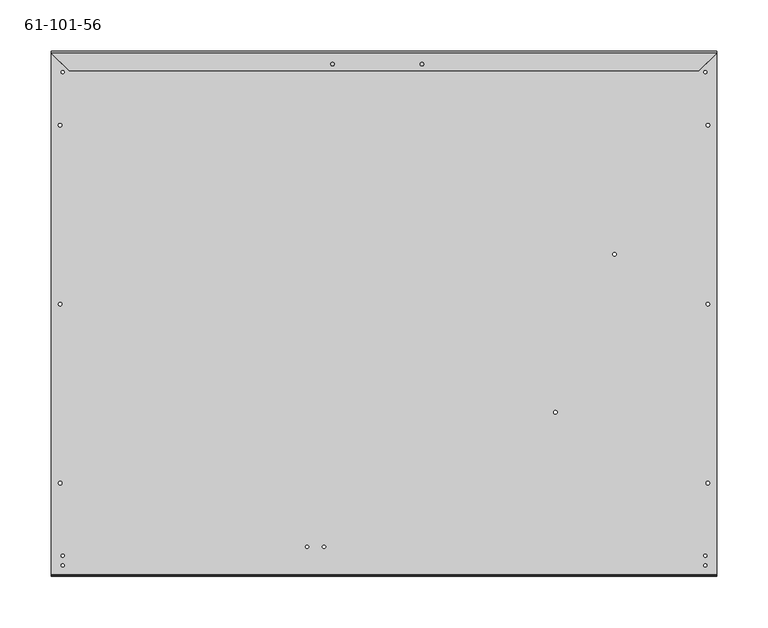
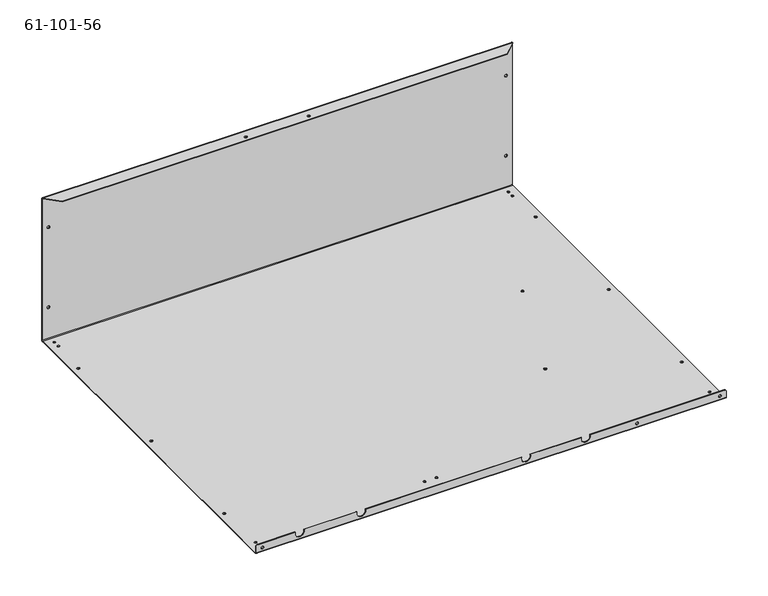
"""IFC4 building model written with IfcOpenShell, lengths in millimetres: proxy geometry, 61-101-56."""

from ifc_helpers import new_model, si_unit, frame, origin, place, context, project, spatial, polyline, circle_curve, source, transform, mapped, element, save
from ifc_brep_helpers import plane_surface, cylinder_surface, revolved_surface, advanced_brep


def proxy_61_101_56_b6c36532(model_context):
    return source(origin(), model_context, "Body", "AdvancedBrep", [
        advanced_brep(
        [(137.4521, 7.8994873, 200.025), (137.4521, 8.7529273, 200.025), (133.1087, 8.7529273, 200.025), (133.1087, 7.8994873, 200.025), (530.4917, 7.8994873, 200.025), (530.4917, 8.7529273, 200.025), (526.1483, 8.7529273, 200.025), (526.1483, 7.8994873, 200.025), (549.5417, 7.8994873, 200.025), (549.5417, 8.7529273, 200.025), (545.1983, 8.7529273, 200.025), (545.1983, 7.8994873, 200.025), (156.5021, 7.8994873, 200.025), (156.5021, 8.7529273, 200.025), (152.1587, 8.7529273, 200.025), (152.1587, 7.8994873, 200.025), (6.95706, -63.4074259, 0.85344), (6.95706, -63.4074259, 0.0), (10.38606, -63.4074259, 0.0), (10.38606, -63.4074259, 0.85344), (6.95706, -412.7153995, 0.85344), (6.95706, -412.7153995, 0.0), (10.38606, -412.7153995, 0.0), (10.38606, -412.7153995, 0.85344), (638.58394, -238.0614127, 0.85344), (638.58394, -238.0614127, 0.0), (642.01294, -238.0614127, 0.0), (642.01294, -238.0614127, 0.85344), (638.58394, -63.4074259, 0.85344), (638.58394, -63.4074259, 0.0), (642.01294, -63.4074259, 0.0), (642.01294, -63.4074259, 0.85344), (638.58394, -412.7153995, 0.85344), (638.58394, -412.7153995, 0.0), (642.01294, -412.7153995, 0.0), (642.01294, -412.7153995, 0.85344), (6.95706, -238.0614127, 0.85344), (6.95706, -238.0614127, 0.0), (10.38606, -238.0614127, 0.0), (10.38606, -238.0614127, 0.85344), (547.5605, -189.5042327, 0.85344), (547.5605, -189.5042327, 0.0), (550.9895, -189.5042327, 0.0), (550.9895, -189.5042327, 0.85344), (636.3335, -11.5670727, 0.85344), (636.3335, -11.5670727, 0.0), (639.3815, -11.5670727, 0.0), (639.3815, -11.5670727, 0.85344), (9.5885, -11.5670727, 0.85344), (9.5885, -11.5670727, 0.0), (12.6365, -11.5670727, 0.0), (12.6365, -11.5670727, 0.85344), (9.5885, -2.0420727, 0.85344), (9.5885, -2.0420727, 0.0), (12.6365, -2.0420727, 0.0), (12.6365, -2.0420727, 0.85344), (636.3335, -2.0420727, 0.85344), (636.3335, -2.0420727, 0.0), (639.3815, -2.0420727, 0.0), (639.3815, -2.0420727, 0.85344), (363.0881332, -3.851312, 208.69656), (363.0881332, -3.851312, 209.55), (359.6591332, -3.851312, 209.55), (359.6591332, -3.851312, 208.69656), (276.0423332, -3.851312, 208.69656), (276.0423332, -3.851312, 209.55), (272.6133332, -3.851312, 209.55), (272.6133332, -3.851312, 208.69656), (642.0866, -503.0172327, 6.46938), (642.0866, -503.8706727, 6.46938), (638.5306, -503.8706727, 6.46938), (638.5306, -503.0172327, 6.46938), (10.4394, -503.0172327, 6.46938), (10.4394, -503.8706727, 6.46938), (6.8834, -503.8706727, 6.46938), (6.8834, -503.0172327, 6.46938), (10.44956, 7.8994873, 46.7603532), (10.44956, 8.7529273, 46.7603532), (6.89356, 8.7529273, 46.7603532), (6.89356, 7.8994873, 46.7603532), (10.44956, 7.8994873, 163.6329268), (10.44956, 8.7529273, 163.6329268), (6.89356, 8.7529273, 163.6329268), (6.89356, 7.8994873, 163.6329268), (642.07644, 7.8994873, 163.6329268), (642.07644, 8.7529273, 163.6329268), (638.52044, 8.7529273, 163.6329268), (638.52044, 7.8994873, 163.6329268), (642.07644, 7.8994873, 46.7603532), (642.07644, 8.7529273, 46.7603532), (638.52044, 8.7529273, 46.7603532), (638.52044, 7.8994873, 46.7603532), (639.37388, -483.5506727, 0.85344), (639.37388, -483.5506727, 0.0), (636.32588, -483.5506727, 0.0), (636.32588, -483.5506727, 0.85344), (12.6365, -483.5506727, 0.85344), (12.6365, -483.5506727, 0.0), (9.5885, -483.5506727, 0.0), (9.5885, -483.5506727, 0.85344), (12.6365, -493.0756727, 0.85344), (12.6365, -493.0756727, 0.0), (9.5885, -493.0756727, 0.0), (9.5885, -493.0756727, 0.85344), (639.37388, -493.0756727, 0.85344), (639.37388, -493.0756727, 0.0), (636.32588, -493.0756727, 0.0), (636.32588, -493.0756727, 0.85344), (527.7866, -503.0172327, 6.46938), (527.7866, -503.8706727, 6.46938), (524.2306, -503.8706727, 6.46938), (524.2306, -503.0172327, 6.46938), (489.8638208, -343.60076, 0.85344), (489.8638208, -343.60076, 0.0), (493.4198208, -343.60076, 0.0), (493.4198208, -343.60076, 0.85344), (250.9637519, -474.9506727, 0.85344), (250.9637519, -474.9506727, 0.0), (247.9157519, -474.9506727, 0.0), (247.9157519, -474.9506727, 0.85344), (267.4737519, -474.9506727, 0.85344), (267.4737519, -474.9506727, 0.0), (264.4257519, -474.9506727, 0.0), (264.4257519, -474.9506727, 0.85344), (366.5248337, -503.0172327, 12.7), (366.5248337, -503.8706727, 12.7), (378.5151663, -503.8706727, 12.7), (378.5151663, -503.0172327, 12.7), (54.0048337, -503.0172327, 12.7), (54.0048337, -503.8706727, 12.7), (65.9951663, -503.8706727, 12.7), (65.9951663, -503.0172327, 12.7), (139.0848337, -503.0172327, 12.7), (139.0848337, -503.8706727, 12.7), (151.0751663, -503.8706727, 12.7), (151.0751663, -503.0172327, 12.7), (449.0748337, -503.0172327, 12.7), (449.0748337, -503.8706727, 12.7), (461.0651663, -503.8706727, 12.7), (461.0651663, -503.0172327, 12.7), (646.43, -503.0172327, 12.7), (648.97, -503.0172327, 10.16), (648.97, -503.0172327, 1.70688), (0.0, -503.0172327, 1.70688), (0.0, -503.0172327, 10.16), (2.54, -503.0172327, 12.7), (646.43, -503.8706727, 12.7), (2.54, -503.8706727, 12.7), (648.97, -503.8706727, 10.16), (648.97, -503.8706727, 1.70688), (0.0, -503.8706727, 10.16), (0.0, -503.8706727, 1.70688), (648.97, 7.0460473, 209.55), (631.62688, -10.2970727, 209.55), (631.62688, -10.2970727, 208.69656), (648.97, 7.0460473, 208.69656), (17.34312, -10.2970727, 209.55), (0.0, 7.0460473, 209.55), (0.0, 7.0460473, 208.69656), (17.34312, -10.2970727, 208.69656), (0.0, 7.8994873, 207.84312), (648.97, 7.8994873, 207.84312), (0.0, 8.7529273, 207.84312), (648.97, 8.7529273, 207.84312), (0.0, 8.7529273, 1.70688), (0.0, 7.8994873, 1.70688), (648.97, 8.7529273, 1.70688), (648.97, 7.8994873, 1.70688), (0.0, 7.0460473, 0.85344), (648.97, 7.0460473, 0.85344), (0.0, 7.0460473, 0.0), (648.97, 7.0460473, 0.0), (0.0, -502.1637927, 0.0), (0.0, -502.1637927, 0.85344), (648.97, -502.1637927, 0.0), (648.97, -502.1637927, 0.85344)],
        [
            (0, 1),
            (1, 2, circle_curve(frame((135.2804, 8.7529273, 200.025), z_axis=(0.0, 1.0, 0.0), x_axis=(1.0, 0.0, 0.0)), 2.1717)),
            (2, 3),
            (3, 0, circle_curve(frame((135.2804, 7.8994873, 200.025), z_axis=(0.0, -1.0, 0.0), x_axis=(1.0, 0.0, 0.0)), 2.1717)),
            (4, 5),
            (5, 6, circle_curve(frame((528.32, 8.7529273, 200.025), z_axis=(0.0, 1.0, 0.0), x_axis=(1.0, 0.0, 0.0)), 2.1717)),
            (6, 7),
            (7, 4, circle_curve(frame((528.32, 7.8994873, 200.025), z_axis=(0.0, -1.0, 0.0), x_axis=(1.0, 0.0, 0.0)), 2.1717)),
            (8, 9),
            (9, 10, circle_curve(frame((547.37, 8.7529273, 200.025), z_axis=(0.0, 1.0, 0.0), x_axis=(1.0, 0.0, 0.0)), 2.1717)),
            (10, 11),
            (11, 8, circle_curve(frame((547.37, 7.8994873, 200.025), z_axis=(0.0, -1.0, 0.0), x_axis=(1.0, 0.0, 0.0)), 2.1717)),
            (12, 13),
            (13, 14, circle_curve(frame((154.3304, 8.7529273, 200.025), z_axis=(0.0, 1.0, 0.0), x_axis=(1.0, 0.0, 0.0)), 2.1717)),
            (14, 15),
            (15, 12, circle_curve(frame((154.3304, 7.8994873, 200.025), z_axis=(0.0, -1.0, 0.0), x_axis=(1.0, 0.0, 0.0)), 2.1717)),
            (16, 17),
            (17, 18, circle_curve(frame((8.67156, -63.4074259, 0.0), z_axis=(0.0, 0.0, -1.0), x_axis=(-1.0, 0.0, 0.0)), 1.7145)),
            (18, 19),
            (19, 16, circle_curve(frame((8.67156, -63.4074259, 0.85344), z_axis=(0.0, 0.0, 1.0), x_axis=(-1.0, 0.0, 0.0)), 1.7145)),
            (20, 21),
            (21, 22, circle_curve(frame((8.67156, -412.7153995, 0.0), z_axis=(0.0, 0.0, -1.0), x_axis=(-1.0, 0.0, 0.0)), 1.7145)),
            (22, 23),
            (23, 20, circle_curve(frame((8.67156, -412.7153995, 0.85344), z_axis=(0.0, 0.0, 1.0), x_axis=(-1.0, 0.0, 0.0)), 1.7145)),
            (24, 25),
            (25, 26, circle_curve(frame((640.29844, -238.0614127, 0.0), z_axis=(0.0, 0.0, -1.0), x_axis=(-1.0, 0.0, 0.0)), 1.7145)),
            (26, 27),
            (27, 24, circle_curve(frame((640.29844, -238.0614127, 0.85344), z_axis=(0.0, 0.0, 1.0), x_axis=(-1.0, 0.0, 0.0)), 1.7145)),
            (28, 29),
            (29, 30, circle_curve(frame((640.29844, -63.4074259, 0.0), z_axis=(0.0, 0.0, -1.0), x_axis=(-1.0, 0.0, 0.0)), 1.7145)),
            (30, 31),
            (31, 28, circle_curve(frame((640.29844, -63.4074259, 0.85344), z_axis=(0.0, 0.0, 1.0), x_axis=(-1.0, 0.0, 0.0)), 1.7145)),
            (32, 33),
            (33, 34, circle_curve(frame((640.29844, -412.7153995, 0.0), z_axis=(0.0, 0.0, -1.0), x_axis=(-1.0, 0.0, 0.0)), 1.7145)),
            (34, 35),
            (35, 32, circle_curve(frame((640.29844, -412.7153995, 0.85344), z_axis=(0.0, 0.0, 1.0), x_axis=(-1.0, 0.0, 0.0)), 1.7145)),
            (36, 37),
            (37, 38, circle_curve(frame((8.67156, -238.0614127, 0.0), z_axis=(0.0, 0.0, -1.0), x_axis=(-1.0, 0.0, 0.0)), 1.7145)),
            (38, 39),
            (39, 36, circle_curve(frame((8.67156, -238.0614127, 0.85344), z_axis=(0.0, 0.0, 1.0), x_axis=(-1.0, 0.0, 0.0)), 1.7145)),
            (40, 41),
            (41, 42, circle_curve(frame((549.275, -189.5042327, 0.0), z_axis=(0.0, 0.0, -1.0), x_axis=(-1.0, 0.0, 0.0)), 1.7145)),
            (42, 43),
            (43, 40, circle_curve(frame((549.275, -189.5042327, 0.85344), z_axis=(0.0, 0.0, 1.0), x_axis=(-1.0, 0.0, 0.0)), 1.7145)),
            (44, 45),
            (45, 46, circle_curve(frame((637.8575, -11.5670727, 0.0), z_axis=(0.0, 0.0, -1.0), x_axis=(-1.0, 0.0, 0.0)), 1.524)),
            (46, 47),
            (47, 44, circle_curve(frame((637.8575, -11.5670727, 0.85344), z_axis=(0.0, 0.0, 1.0), x_axis=(-1.0, 0.0, 0.0)), 1.524)),
            (48, 49),
            (49, 50, circle_curve(frame((11.1125, -11.5670727, 0.0), z_axis=(0.0, 0.0, -1.0), x_axis=(-1.0, 0.0, 0.0)), 1.524)),
            (50, 51),
            (51, 48, circle_curve(frame((11.1125, -11.5670727, 0.85344), z_axis=(0.0, 0.0, 1.0), x_axis=(-1.0, 0.0, 0.0)), 1.524)),
            (52, 53),
            (53, 54, circle_curve(frame((11.1125, -2.0420727, 0.0), z_axis=(0.0, 0.0, -1.0), x_axis=(-1.0, 0.0, 0.0)), 1.524)),
            (54, 55),
            (55, 52, circle_curve(frame((11.1125, -2.0420727, 0.85344), z_axis=(0.0, 0.0, 1.0), x_axis=(-1.0, 0.0, 0.0)), 1.524)),
            (56, 57),
            (57, 58, circle_curve(frame((637.8575, -2.0420727, 0.0), z_axis=(0.0, 0.0, -1.0), x_axis=(-1.0, 0.0, 0.0)), 1.524)),
            (58, 59),
            (59, 56, circle_curve(frame((637.8575, -2.0420727, 0.85344), z_axis=(0.0, 0.0, 1.0), x_axis=(-1.0, 0.0, 0.0)), 1.524)),
            (60, 61),
            (61, 62, circle_curve(frame((361.3736332, -3.851312, 209.55), z_axis=(0.0, 0.0, 1.0), x_axis=(1.0, 0.0, 0.0)), 1.7145)),
            (62, 63),
            (63, 60, circle_curve(frame((361.3736332, -3.851312, 208.69656), z_axis=(0.0, 0.0, -1.0), x_axis=(1.0, 0.0, 0.0)), 1.7145)),
            (64, 65),
            (65, 66, circle_curve(frame((274.3278332, -3.851312, 209.55), z_axis=(0.0, 0.0, 1.0), x_axis=(1.0, 0.0, 0.0)), 1.7145)),
            (66, 67),
            (67, 64, circle_curve(frame((274.3278332, -3.851312, 208.69656), z_axis=(0.0, 0.0, -1.0), x_axis=(1.0, 0.0, 0.0)), 1.7145)),
            (68, 69),
            (69, 70, circle_curve(frame((640.3086, -503.8706727, 6.46938), z_axis=(0.0, -1.0, 0.0), x_axis=(1.0, 0.0, 0.0)), 1.778)),
            (70, 71),
            (71, 68, circle_curve(frame((640.3086, -503.0172327, 6.46938), z_axis=(0.0, 1.0, 0.0), x_axis=(1.0, 0.0, 0.0)), 1.778)),
            (72, 73),
            (73, 74, circle_curve(frame((8.6614, -503.8706727, 6.46938), z_axis=(0.0, -1.0, 0.0), x_axis=(1.0, 0.0, 0.0)), 1.778)),
            (74, 75),
            (75, 72, circle_curve(frame((8.6614, -503.0172327, 6.46938), z_axis=(0.0, 1.0, 0.0), x_axis=(1.0, 0.0, 0.0)), 1.778)),
            (76, 77),
            (77, 78, circle_curve(frame((8.67156, 8.7529273, 46.7603532), z_axis=(0.0, 1.0, 0.0), x_axis=(1.0, 0.0, 0.0)), 1.778)),
            (78, 79),
            (79, 76, circle_curve(frame((8.67156, 7.8994873, 46.7603532), z_axis=(0.0, -1.0, 0.0), x_axis=(1.0, 0.0, 0.0)), 1.778)),
            (80, 81),
            (81, 82, circle_curve(frame((8.67156, 8.7529273, 163.6329268), z_axis=(0.0, 1.0, 0.0), x_axis=(1.0, 0.0, 0.0)), 1.778)),
            (82, 83),
            (83, 80, circle_curve(frame((8.67156, 7.8994873, 163.6329268), z_axis=(0.0, -1.0, 0.0), x_axis=(1.0, 0.0, 0.0)), 1.778)),
            (84, 85),
            (85, 86, circle_curve(frame((640.29844, 8.7529273, 163.6329268), z_axis=(0.0, 1.0, 0.0), x_axis=(1.0, 0.0, 0.0)), 1.778)),
            (86, 87),
            (87, 84, circle_curve(frame((640.29844, 7.8994873, 163.6329268), z_axis=(0.0, -1.0, 0.0), x_axis=(1.0, 0.0, 0.0)), 1.778)),
            (88, 89),
            (89, 90, circle_curve(frame((640.29844, 8.7529273, 46.7603532), z_axis=(0.0, 1.0, 0.0), x_axis=(1.0, 0.0, 0.0)), 1.778)),
            (90, 91),
            (91, 88, circle_curve(frame((640.29844, 7.8994873, 46.7603532), z_axis=(0.0, -1.0, 0.0), x_axis=(1.0, 0.0, 0.0)), 1.778)),
            (92, 93),
            (93, 94, circle_curve(frame((637.84988, -483.5506727, 0.0), z_axis=(0.0, 0.0, -1.0), x_axis=(1.0, 0.0, 0.0)), 1.524)),
            (94, 95),
            (95, 92, circle_curve(frame((637.84988, -483.5506727, 0.85344), z_axis=(0.0, 0.0, 1.0), x_axis=(1.0, 0.0, 0.0)), 1.524)),
            (96, 97),
            (97, 98, circle_curve(frame((11.1125, -483.5506727, 0.0), z_axis=(0.0, 0.0, -1.0), x_axis=(1.0, 0.0, 0.0)), 1.524)),
            (98, 99),
            (99, 96, circle_curve(frame((11.1125, -483.5506727, 0.85344), z_axis=(0.0, 0.0, 1.0), x_axis=(1.0, 0.0, 0.0)), 1.524)),
            (100, 101),
            (101, 102, circle_curve(frame((11.1125, -493.0756727, 0.0), z_axis=(0.0, 0.0, -1.0), x_axis=(1.0, 0.0, 0.0)), 1.524)),
            (102, 103),
            (103, 100, circle_curve(frame((11.1125, -493.0756727, 0.85344), z_axis=(0.0, 0.0, 1.0), x_axis=(1.0, 0.0, 0.0)), 1.524)),
            (104, 105),
            (105, 106, circle_curve(frame((637.84988, -493.0756727, 0.0), z_axis=(0.0, 0.0, -1.0), x_axis=(1.0, 0.0, 0.0)), 1.524)),
            (106, 107),
            (107, 104, circle_curve(frame((637.84988, -493.0756727, 0.85344), z_axis=(0.0, 0.0, 1.0), x_axis=(1.0, 0.0, 0.0)), 1.524)),
            (108, 109),
            (109, 110, circle_curve(frame((526.0086, -503.8706727, 6.46938), z_axis=(0.0, -1.0, 0.0), x_axis=(1.0, 0.0, 0.0)), 1.778)),
            (110, 111),
            (111, 108, circle_curve(frame((526.0086, -503.0172327, 6.46938), z_axis=(0.0, 1.0, 0.0), x_axis=(1.0, 0.0, 0.0)), 1.778)),
            (112, 113),
            (113, 114, circle_curve(frame((491.6418208, -343.60076, 0.0), z_axis=(0.0, 0.0, -1.0), x_axis=(-1.0, 0.0, 0.0)), 1.778)),
            (114, 115),
            (115, 112, circle_curve(frame((491.6418208, -343.60076, 0.85344), z_axis=(0.0, 0.0, 1.0), x_axis=(-1.0, 0.0, 0.0)), 1.778)),
            (116, 117),
            (117, 118, circle_curve(frame((249.4397519, -474.9506727, 0.0), z_axis=(0.0, 0.0, -1.0), x_axis=(1.0, 0.0, 0.0)), 1.524)),
            (118, 119),
            (119, 116, circle_curve(frame((249.4397519, -474.9506727, 0.85344), z_axis=(0.0, 0.0, 1.0), x_axis=(1.0, 0.0, 0.0)), 1.524)),
            (120, 121),
            (121, 122, circle_curve(frame((265.9497519, -474.9506727, 0.0), z_axis=(0.0, 0.0, -1.0), x_axis=(1.0, 0.0, 0.0)), 1.524)),
            (122, 123),
            (123, 120, circle_curve(frame((265.9497519, -474.9506727, 0.85344), z_axis=(0.0, 0.0, 1.0), x_axis=(1.0, 0.0, 0.0)), 1.524)),
            (124, 125),
            (125, 126, circle_curve(frame((372.52, -503.8706727, 10.60704), z_axis=(0.0, -1.0, 0.0), x_axis=(0.0, 0.0, -1.0)), 6.35)),
            (126, 127),
            (127, 124, circle_curve(frame((372.52, -503.0172327, 10.60704), z_axis=(0.0, 1.0, 0.0), x_axis=(0.0, 0.0, -1.0)), 6.35)),
            (128, 129),
            (129, 130, circle_curve(frame((60.0, -503.8706727, 10.60704), z_axis=(0.0, -1.0, 0.0), x_axis=(0.0, 0.0, -1.0)), 6.35)),
            (130, 131),
            (131, 128, circle_curve(frame((60.0, -503.0172327, 10.60704), z_axis=(0.0, 1.0, 0.0), x_axis=(0.0, 0.0, -1.0)), 6.35)),
            (132, 133),
            (133, 134, circle_curve(frame((145.08, -503.8706727, 10.60704), z_axis=(0.0, -1.0, 0.0), x_axis=(0.0, 0.0, -1.0)), 6.35)),
            (134, 135),
            (135, 132, circle_curve(frame((145.08, -503.0172327, 10.60704), z_axis=(0.0, 1.0, 0.0), x_axis=(0.0, 0.0, -1.0)), 6.35)),
            (136, 137),
            (137, 138, circle_curve(frame((455.07, -503.8706727, 10.60704), z_axis=(0.0, -1.0, 0.0), x_axis=(0.0, 0.0, -1.0)), 6.35)),
            (138, 139),
            (139, 136, circle_curve(frame((455.07, -503.0172327, 10.60704), z_axis=(0.0, 1.0, 0.0), x_axis=(0.0, 0.0, -1.0)), 6.35)),
            (127, 136),
            (139, 140),
            (140, 141, circle_curve(frame((646.43, -503.0172327, 10.16), z_axis=(0.0, 1.0, 0.0), x_axis=(0.7071067811865345, 0.0, 0.7071067811865603)), 2.54)),
            (141, 142),
            (142, 143),
            (143, 144),
            (144, 145, circle_curve(frame((2.54, -503.0172327, 10.16), z_axis=(0.0, 1.0, 0.0), x_axis=(-0.7071067811865543, 0.0, 0.7071067811865408)), 2.54)),
            (145, 128),
            (131, 132),
            (135, 124),
            (71, 68, circle_curve(frame((640.3086, -503.0172327, 6.46938), z_axis=(0.0, -1.0, 0.0), x_axis=(1.0, 0.0, 0.0)), 1.778)),
            (75, 72, circle_curve(frame((8.6614, -503.0172327, 6.46938), z_axis=(0.0, -1.0, 0.0), x_axis=(1.0, 0.0, 0.0)), 1.778)),
            (111, 108, circle_curve(frame((526.0086, -503.0172327, 6.46938), z_axis=(0.0, -1.0, 0.0), x_axis=(1.0, 0.0, 0.0)), 1.778)),
            (138, 146),
            (146, 140),
            (126, 137),
            (130, 133),
            (145, 147),
            (147, 129),
            (120, 123, circle_curve(frame((265.9497519, -474.9506727, 0.85344), z_axis=(0.0, 0.0, 1.0), x_axis=(1.0, 0.0, 0.0)), 1.524)),
            (122, 121, circle_curve(frame((265.9497519, -474.9506727, 0.0), z_axis=(0.0, 0.0, -1.0), x_axis=(1.0, 0.0, 0.0)), 1.524)),
            (116, 119, circle_curve(frame((249.4397519, -474.9506727, 0.85344), z_axis=(0.0, 0.0, 1.0), x_axis=(1.0, 0.0, 0.0)), 1.524)),
            (118, 117, circle_curve(frame((249.4397519, -474.9506727, 0.0), z_axis=(0.0, 0.0, -1.0), x_axis=(1.0, 0.0, 0.0)), 1.524)),
            (112, 115, circle_curve(frame((491.6418208, -343.60076, 0.85344), z_axis=(0.0, 0.0, 1.0), x_axis=(-1.0, 0.0, 0.0)), 1.778)),
            (114, 113, circle_curve(frame((491.6418208, -343.60076, 0.0), z_axis=(0.0, 0.0, -1.0), x_axis=(-1.0, 0.0, 0.0)), 1.778)),
            (110, 109, circle_curve(frame((526.0086, -503.8706727, 6.46938), z_axis=(0.0, -1.0, 0.0), x_axis=(1.0, 0.0, 0.0)), 1.778)),
            (104, 107, circle_curve(frame((637.84988, -493.0756727, 0.85344), z_axis=(0.0, 0.0, 1.0), x_axis=(1.0, 0.0, 0.0)), 1.524)),
            (106, 105, circle_curve(frame((637.84988, -493.0756727, 0.0), z_axis=(0.0, 0.0, -1.0), x_axis=(1.0, 0.0, 0.0)), 1.524)),
            (100, 103, circle_curve(frame((11.1125, -493.0756727, 0.85344), z_axis=(0.0, 0.0, 1.0), x_axis=(1.0, 0.0, 0.0)), 1.524)),
            (102, 101, circle_curve(frame((11.1125, -493.0756727, 0.0), z_axis=(0.0, 0.0, -1.0), x_axis=(1.0, 0.0, 0.0)), 1.524)),
            (96, 99, circle_curve(frame((11.1125, -483.5506727, 0.85344), z_axis=(0.0, 0.0, 1.0), x_axis=(1.0, 0.0, 0.0)), 1.524)),
            (98, 97, circle_curve(frame((11.1125, -483.5506727, 0.0), z_axis=(0.0, 0.0, -1.0), x_axis=(1.0, 0.0, 0.0)), 1.524)),
            (92, 95, circle_curve(frame((637.84988, -483.5506727, 0.85344), z_axis=(0.0, 0.0, 1.0), x_axis=(1.0, 0.0, 0.0)), 1.524)),
            (94, 93, circle_curve(frame((637.84988, -483.5506727, 0.0), z_axis=(0.0, 0.0, -1.0), x_axis=(1.0, 0.0, 0.0)), 1.524)),
            (88, 91, circle_curve(frame((640.29844, 7.8994873, 46.7603532), z_axis=(0.0, -1.0, 0.0), x_axis=(1.0, 0.0, 0.0)), 1.778)),
            (90, 89, circle_curve(frame((640.29844, 8.7529273, 46.7603532), z_axis=(0.0, 1.0, 0.0), x_axis=(1.0, 0.0, 0.0)), 1.778)),
            (84, 87, circle_curve(frame((640.29844, 7.8994873, 163.6329268), z_axis=(0.0, -1.0, 0.0), x_axis=(1.0, 0.0, 0.0)), 1.778)),
            (86, 85, circle_curve(frame((640.29844, 8.7529273, 163.6329268), z_axis=(0.0, 1.0, 0.0), x_axis=(1.0, 0.0, 0.0)), 1.778)),
            (80, 83, circle_curve(frame((8.67156, 7.8994873, 163.6329268), z_axis=(0.0, -1.0, 0.0), x_axis=(1.0, 0.0, 0.0)), 1.778)),
            (82, 81, circle_curve(frame((8.67156, 8.7529273, 163.6329268), z_axis=(0.0, 1.0, 0.0), x_axis=(1.0, 0.0, 0.0)), 1.778)),
            (76, 79, circle_curve(frame((8.67156, 7.8994873, 46.7603532), z_axis=(0.0, -1.0, 0.0), x_axis=(1.0, 0.0, 0.0)), 1.778)),
            (78, 77, circle_curve(frame((8.67156, 8.7529273, 46.7603532), z_axis=(0.0, 1.0, 0.0), x_axis=(1.0, 0.0, 0.0)), 1.778)),
            (74, 73, circle_curve(frame((8.6614, -503.8706727, 6.46938), z_axis=(0.0, -1.0, 0.0), x_axis=(1.0, 0.0, 0.0)), 1.778)),
            (70, 69, circle_curve(frame((640.3086, -503.8706727, 6.46938), z_axis=(0.0, -1.0, 0.0), x_axis=(1.0, 0.0, 0.0)), 1.778)),
            (146, 148, circle_curve(frame((646.43, -503.8706727, 10.16), z_axis=(0.0, 1.0, 0.0), x_axis=(0.7071067811865345, 0.0, 0.7071067811865603)), 2.54)),
            (148, 141),
            (148, 149),
            (149, 142),
            (125, 134),
            (147, 150, circle_curve(frame((2.54, -503.8706727, 10.16), z_axis=(0.0, -1.0, 0.0), x_axis=(-0.7071067811865543, 0.0, 0.7071067811865408)), 2.54)),
            (150, 151),
            (151, 149),
            (144, 150),
            (143, 151),
            (64, 67, circle_curve(frame((274.3278332, -3.851312, 208.69656), z_axis=(0.0, 0.0, -1.0), x_axis=(1.0, 0.0, 0.0)), 1.7145)),
            (66, 65, circle_curve(frame((274.3278332, -3.851312, 209.55), z_axis=(0.0, 0.0, 1.0), x_axis=(1.0, 0.0, 0.0)), 1.7145)),
            (60, 63, circle_curve(frame((361.3736332, -3.851312, 208.69656), z_axis=(0.0, 0.0, -1.0), x_axis=(1.0, 0.0, 0.0)), 1.7145)),
            (62, 61, circle_curve(frame((361.3736332, -3.851312, 209.55), z_axis=(0.0, 0.0, 1.0), x_axis=(1.0, 0.0, 0.0)), 1.7145)),
            (56, 59, circle_curve(frame((637.8575, -2.0420727, 0.85344), z_axis=(0.0, 0.0, 1.0), x_axis=(-1.0, 0.0, 0.0)), 1.524)),
            (58, 57, circle_curve(frame((637.8575, -2.0420727, 0.0), z_axis=(0.0, 0.0, -1.0), x_axis=(-1.0, 0.0, 0.0)), 1.524)),
            (52, 55, circle_curve(frame((11.1125, -2.0420727, 0.85344), z_axis=(0.0, 0.0, 1.0), x_axis=(-1.0, 0.0, 0.0)), 1.524)),
            (54, 53, circle_curve(frame((11.1125, -2.0420727, 0.0), z_axis=(0.0, 0.0, -1.0), x_axis=(-1.0, 0.0, 0.0)), 1.524)),
            (48, 51, circle_curve(frame((11.1125, -11.5670727, 0.85344), z_axis=(0.0, 0.0, 1.0), x_axis=(-1.0, 0.0, 0.0)), 1.524)),
            (50, 49, circle_curve(frame((11.1125, -11.5670727, 0.0), z_axis=(0.0, 0.0, -1.0), x_axis=(-1.0, 0.0, 0.0)), 1.524)),
            (44, 47, circle_curve(frame((637.8575, -11.5670727, 0.85344), z_axis=(0.0, 0.0, 1.0), x_axis=(-1.0, 0.0, 0.0)), 1.524)),
            (46, 45, circle_curve(frame((637.8575, -11.5670727, 0.0), z_axis=(0.0, 0.0, -1.0), x_axis=(-1.0, 0.0, 0.0)), 1.524)),
            (40, 43, circle_curve(frame((549.275, -189.5042327, 0.85344), z_axis=(0.0, 0.0, 1.0), x_axis=(-1.0, 0.0, 0.0)), 1.7145)),
            (42, 41, circle_curve(frame((549.275, -189.5042327, 0.0), z_axis=(0.0, 0.0, -1.0), x_axis=(-1.0, 0.0, 0.0)), 1.7145)),
            (36, 39, circle_curve(frame((8.67156, -238.0614127, 0.85344), z_axis=(0.0, 0.0, 1.0), x_axis=(-1.0, 0.0, 0.0)), 1.7145)),
            (38, 37, circle_curve(frame((8.67156, -238.0614127, 0.0), z_axis=(0.0, 0.0, -1.0), x_axis=(-1.0, 0.0, 0.0)), 1.7145)),
            (32, 35, circle_curve(frame((640.29844, -412.7153995, 0.85344), z_axis=(0.0, 0.0, 1.0), x_axis=(-1.0, 0.0, 0.0)), 1.7145)),
            (34, 33, circle_curve(frame((640.29844, -412.7153995, 0.0), z_axis=(0.0, 0.0, -1.0), x_axis=(-1.0, 0.0, 0.0)), 1.7145)),
            (28, 31, circle_curve(frame((640.29844, -63.4074259, 0.85344), z_axis=(0.0, 0.0, 1.0), x_axis=(-1.0, 0.0, 0.0)), 1.7145)),
            (30, 29, circle_curve(frame((640.29844, -63.4074259, 0.0), z_axis=(0.0, 0.0, -1.0), x_axis=(-1.0, 0.0, 0.0)), 1.7145)),
            (24, 27, circle_curve(frame((640.29844, -238.0614127, 0.85344), z_axis=(0.0, 0.0, 1.0), x_axis=(-1.0, 0.0, 0.0)), 1.7145)),
            (26, 25, circle_curve(frame((640.29844, -238.0614127, 0.0), z_axis=(0.0, 0.0, -1.0), x_axis=(-1.0, 0.0, 0.0)), 1.7145)),
            (20, 23, circle_curve(frame((8.67156, -412.7153995, 0.85344), z_axis=(0.0, 0.0, 1.0), x_axis=(-1.0, 0.0, 0.0)), 1.7145)),
            (22, 21, circle_curve(frame((8.67156, -412.7153995, 0.0), z_axis=(0.0, 0.0, -1.0), x_axis=(-1.0, 0.0, 0.0)), 1.7145)),
            (16, 19, circle_curve(frame((8.67156, -63.4074259, 0.85344), z_axis=(0.0, 0.0, 1.0), x_axis=(-1.0, 0.0, 0.0)), 1.7145)),
            (18, 17, circle_curve(frame((8.67156, -63.4074259, 0.0), z_axis=(0.0, 0.0, -1.0), x_axis=(-1.0, 0.0, 0.0)), 1.7145)),
            (12, 15, circle_curve(frame((154.3304, 7.8994873, 200.025), z_axis=(0.0, -1.0, 0.0), x_axis=(1.0, 0.0, 0.0)), 2.1717)),
            (14, 13, circle_curve(frame((154.3304, 8.7529273, 200.025), z_axis=(0.0, 1.0, 0.0), x_axis=(1.0, 0.0, 0.0)), 2.1717)),
            (8, 11, circle_curve(frame((547.37, 7.8994873, 200.025), z_axis=(0.0, -1.0, 0.0), x_axis=(1.0, 0.0, 0.0)), 2.1717)),
            (10, 9, circle_curve(frame((547.37, 8.7529273, 200.025), z_axis=(0.0, 1.0, 0.0), x_axis=(1.0, 0.0, 0.0)), 2.1717)),
            (4, 7, circle_curve(frame((528.32, 7.8994873, 200.025), z_axis=(0.0, -1.0, 0.0), x_axis=(1.0, 0.0, 0.0)), 2.1717)),
            (6, 5, circle_curve(frame((528.32, 8.7529273, 200.025), z_axis=(0.0, 1.0, 0.0), x_axis=(1.0, 0.0, 0.0)), 2.1717)),
            (0, 3, circle_curve(frame((135.2804, 7.8994873, 200.025), z_axis=(0.0, -1.0, 0.0), x_axis=(1.0, 0.0, 0.0)), 2.1717)),
            (2, 1, circle_curve(frame((135.2804, 8.7529273, 200.025), z_axis=(0.0, 1.0, 0.0), x_axis=(1.0, 0.0, 0.0)), 2.1717)),
            (152, 153),
            (153, 154),
            (154, 155),
            (155, 152),
            (156, 157),
            (157, 158),
            (158, 159),
            (159, 156),
            (153, 156),
            (159, 154),
            (155, 158),
            (158, 160, circle_curve(frame((0.0, 7.0460473, 207.84312), z_axis=(-1.0, 0.0, 0.0), x_axis=(0.0, 1.0, 0.0)), 0.85344)),
            (160, 161),
            (161, 155, circle_curve(frame((648.97, 7.0460473, 207.84312), z_axis=(1.0, 0.0, 0.0), x_axis=(0.0, 1.0, 0.0)), 0.85344)),
            (152, 157),
            (157, 162, circle_curve(frame((0.0, 7.0460473, 207.84312), z_axis=(-1.0, 0.0, 0.0), x_axis=(0.0, 1.0, 0.0)), 1.70688)),
            (162, 160),
            (161, 163),
            (163, 152, circle_curve(frame((648.97, 7.0460473, 207.84312), z_axis=(1.0, 0.0, 0.0), x_axis=(0.0, 1.0, 0.0)), 1.70688)),
            (163, 162),
            (162, 164),
            (164, 165),
            (165, 160),
            (163, 166),
            (166, 164),
            (161, 167),
            (167, 166),
            (167, 165),
            (165, 168, circle_curve(frame((0.0, 7.0460473, 1.70688), z_axis=(-1.0, 0.0, 0.0), x_axis=(0.0, 0.0, -1.0)), 0.85344)),
            (168, 169),
            (169, 167, circle_curve(frame((648.97, 7.0460473, 1.70688), z_axis=(1.0, 0.0, 0.0), x_axis=(0.0, 0.0, -1.0)), 0.85344)),
            (164, 170, circle_curve(frame((0.0, 7.0460473, 1.70688), z_axis=(-1.0, 0.0, 0.0), x_axis=(0.0, 0.0, -1.0)), 1.70688)),
            (170, 168),
            (169, 171),
            (171, 166, circle_curve(frame((648.97, 7.0460473, 1.70688), z_axis=(1.0, 0.0, 0.0), x_axis=(0.0, 0.0, -1.0)), 1.70688)),
            (171, 170),
            (170, 172),
            (172, 173),
            (173, 168),
            (171, 174),
            (174, 172),
            (169, 175),
            (175, 174),
            (151, 172, circle_curve(frame((0.0, -502.1637927, 1.70688), z_axis=(1.0, 0.0, 0.0), x_axis=(0.0, 0.0, -1.0)), 1.70688)),
            (174, 149, circle_curve(frame((648.97, -502.1637927, 1.70688), z_axis=(-1.0, 0.0, 0.0), x_axis=(0.0, 0.0, -1.0)), 1.70688)),
            (143, 173, circle_curve(frame((0.0, -502.1637927, 1.70688), z_axis=(1.0, 0.0, 0.0), x_axis=(0.0, 0.0, -1.0)), 0.85344)),
            (175, 142, circle_curve(frame((648.97, -502.1637927, 1.70688), z_axis=(-1.0, 0.0, 0.0), x_axis=(0.0, 0.0, -1.0)), 0.85344)),
            (175, 173),
        ],
        [
            revolved_surface(polyline([(137.45209999999997, 8.7529273, 200.025), (137.45209999999997, 7.8994873, 200.025)]), (135.2804, 8.3262073, 200.025), (0.0, 1.0, 0.0)),
            revolved_surface(polyline([(530.4917, 8.7529273, 200.025), (530.4917, 7.8994873, 200.025)]), (528.32, 8.3262073, 200.025), (0.0, 1.0, 0.0)),
            revolved_surface(polyline([(549.5417, 8.7529273, 200.025), (549.5417, 7.8994873, 200.025)]), (547.37, 8.3262073, 200.025), (0.0, 1.0, 0.0)),
            revolved_surface(polyline([(156.50209999999998, 8.7529273, 200.025), (156.50209999999998, 7.8994873, 200.025)]), (154.3304, 8.3262073, 200.025), (0.0, 1.0, 0.0)),
            revolved_surface(polyline([(6.957059999999999, -63.4074259, 0.0), (6.957059999999999, -63.4074259, 0.85344)]), (8.67156, -63.4074259, 0.42672), (0.0, 0.0, -1.0)),
            revolved_surface(polyline([(6.957059999999999, -412.7153995, 0.0), (6.957059999999999, -412.7153995, 0.85344)]), (8.67156, -412.7153995, 0.42672), (0.0, 0.0, -1.0)),
            revolved_surface(polyline([(638.58394, -238.0614127, 0.0), (638.58394, -238.0614127, 0.85344)]), (640.29844, -238.0614127, 0.42672), (0.0, 0.0, -1.0)),
            revolved_surface(polyline([(638.58394, -63.4074259, 0.0), (638.58394, -63.4074259, 0.85344)]), (640.29844, -63.4074259, 0.42672), (0.0, 0.0, -1.0)),
            revolved_surface(polyline([(638.58394, -412.7153995, 0.0), (638.58394, -412.7153995, 0.85344)]), (640.29844, -412.7153995, 0.42672), (0.0, 0.0, -1.0)),
            revolved_surface(polyline([(6.957059999999999, -238.0614127, 0.0), (6.957059999999999, -238.0614127, 0.85344)]), (8.67156, -238.0614127, 0.42672), (0.0, 0.0, -1.0)),
            revolved_surface(polyline([(547.5604999999999, -189.5042327, 0.0), (547.5604999999999, -189.5042327, 0.8534399999999778)]), (549.275, -189.5042327, 853.144899), (0.0, 0.0, -1.0)),
            revolved_surface(polyline([(636.3335, -11.5670727, 0.0), (636.3335, -11.5670727, 0.85344)]), (637.8575, -11.5670727, 0.42672), (0.0, 0.0, -1.0)),
            revolved_surface(polyline([(9.5885, -11.5670727, 0.0), (9.5885, -11.5670727, 0.85344)]), (11.1125, -11.5670727, 0.42672), (0.0, 0.0, -1.0)),
            revolved_surface(polyline([(9.5885, -2.0420727, 0.0), (9.5885, -2.0420727, 0.85344)]), (11.1125, -2.0420727, 0.42672), (0.0, 0.0, -1.0)),
            revolved_surface(polyline([(636.3335, -2.0420727, 0.0), (636.3335, -2.0420727, 0.85344)]), (637.8575, -2.0420727, 0.42672), (0.0, 0.0, -1.0)),
            revolved_surface(polyline([(363.08813319999996, -3.851312, 209.55), (363.08813319999996, -3.851312, 208.69656)]), (361.3736332, -3.851312, 209.12328), (0.0, 0.0, 1.0)),
            revolved_surface(polyline([(276.0423332, -3.851312, 209.55), (276.0423332, -3.851312, 208.69656)]), (274.3278332, -3.851312, 209.12328), (0.0, 0.0, 1.0)),
            revolved_surface(polyline([(642.0866, -503.0172327, 6.46938), (642.0866, -503.8706727, 6.46938)]), (640.3086, -503.8706727, 6.46938), (0.0, 1.0, 0.0)),
            revolved_surface(polyline([(10.439400000000001, -503.0172327, 6.46938), (10.439400000000001, -503.8706727, 6.46938)]), (8.6614, -503.8706727, 6.46938), (0.0, 1.0, 0.0)),
            revolved_surface(polyline([(10.44956, 7.8994873, 46.7603532), (10.44956, 8.7529273, 46.7603532)]), (8.67156, 8.7529273, 46.7603532), (0.0, -1.0, 0.0)),
            revolved_surface(polyline([(10.44956, 7.8994873, 163.6329268), (10.44956, 8.7529273, 163.6329268)]), (8.67156, 8.7529273, 163.6329268), (0.0, -1.0, 0.0)),
            revolved_surface(polyline([(642.07644, 7.8994873, 163.6329268), (642.07644, 8.7529273, 163.6329268)]), (640.29844, 8.7529273, 163.6329268), (0.0, -1.0, 0.0)),
            revolved_surface(polyline([(642.07644, 7.8994873, 46.7603532), (642.07644, 8.7529273, 46.7603532)]), (640.29844, 8.7529273, 46.7603532), (0.0, -1.0, 0.0)),
            revolved_surface(polyline([(639.37388, -483.5506727, 0.85344), (639.37388, -483.5506727, 0.0)]), (637.84988, -483.5506727, 0.0), (0.0, 0.0, 1.0)),
            revolved_surface(polyline([(12.636500000000002, -483.5506727, 0.85344), (12.636500000000002, -483.5506727, 0.0)]), (11.1125, -483.5506727, 0.0), (0.0, 0.0, 1.0)),
            revolved_surface(polyline([(12.636500000000002, -493.0756727, 0.85344), (12.636500000000002, -493.0756727, 0.0)]), (11.1125, -493.0756727, 0.0), (0.0, 0.0, 1.0)),
            revolved_surface(polyline([(639.37388, -493.0756727, 0.85344), (639.37388, -493.0756727, 0.0)]), (637.84988, -493.0756727, 0.0), (0.0, 0.0, 1.0)),
            revolved_surface(polyline([(527.7866, -503.0172327, 6.46938), (527.7866, -503.8706727, 6.46938)]), (526.0086, -503.8706727, 6.46938), (0.0, 1.0, 0.0)),
            revolved_surface(polyline([(489.8638208, -343.60076, 0.85344), (489.8638208, -343.60076, 0.0)]), (491.6418208, -343.60076, 0.0), (0.0, 0.0, 1.0)),
            revolved_surface(polyline([(250.9637519, -474.9506727, 0.85344), (250.9637519, -474.9506727, 0.0)]), (249.4397519, -474.9506727, 0.0), (0.0, 0.0, 1.0)),
            revolved_surface(polyline([(267.4737519, -474.9506727, 0.85344), (267.4737519, -474.9506727, 0.0)]), (265.9497519, -474.9506727, 0.0), (0.0, 0.0, 1.0)),
            revolved_surface(polyline([(372.52, -503.0172327, 4.25704), (372.52, -503.8706727, 4.25704)]), (372.52, -503.8706727, 10.60704), (0.0, 1.0, 0.0)),
            revolved_surface(polyline([(60.0, -503.0172327, 4.25704), (60.0, -503.8706727, 4.25704)]), (60.0, -503.8706727, 10.60704), (0.0, 1.0, 0.0)),
            revolved_surface(polyline([(145.08, -503.0172327, 4.25704), (145.08, -503.8706727, 4.25704)]), (145.08, -503.8706727, 10.60704), (0.0, 1.0, 0.0)),
            revolved_surface(polyline([(455.07, -503.0172327, 4.25704), (455.07, -503.8706727, 4.25704)]), (455.07, -503.8706727, 10.60704), (0.0, 1.0, 0.0)),
            plane_surface(frame((324.485, -503.0172327, 104.6632221), z_axis=(0.0, 1.0, 0.0), x_axis=(1.0, 0.0, 0.0))),
            plane_surface(frame((666.7323809, -503.8706727, 12.7), z_axis=(0.0, 0.0, 1.0), x_axis=(-1.0, 0.0, 0.0))),
            cylinder_surface(frame((646.43, -503.4439527, 10.16), z_axis=(0.0, -0.9999999999999996, 0.0), x_axis=(0.7071067811865345, 0.0, 0.7071067811865603)), 2.54),
            plane_surface(frame((648.97, -503.0172327, 1.70688), z_axis=(1.0, 0.0, 0.0), x_axis=(0.0, -1.0, 0.0))),
            plane_surface(frame((324.485, -503.8706727, 104.6632221), z_axis=(0.0, -1.0, 0.0), x_axis=(1.0, 0.0, 0.0))),
            cylinder_surface(frame((2.54, -503.4439527, 10.16), z_axis=(0.0, 1.0000000000000002, 0.0), x_axis=(-0.7071067811865543, 0.0, 0.7071067811865408)), 2.54),
            plane_surface(frame((0.0, -503.0172327, 1.70688), z_axis=(-1.0, 0.0, 0.0), x_axis=(0.0, 1.0, 0.0))),
            plane_surface(frame((631.62688, -10.2970727, 209.55), z_axis=(0.7071067811865527, -0.7071067811865424, 0.0), x_axis=(0.7071067811865424, 0.7071067811865527, 0.0))),
            plane_surface(frame((0.0, 7.0460473, 209.55), z_axis=(-0.7071067811865509, -0.7071067811865442, 0.0), x_axis=(0.7071067811865442, -0.7071067811865509, 0.0))),
            plane_surface(frame((0.0, -10.2970727, 209.55), z_axis=(0.0, -1.0, 0.0), x_axis=(1.0, 0.0, 0.0))),
            revolved_surface(polyline([(648.97, 7.8994873, 207.84312), (0.0, 7.8994873, 207.84312)]), (324.485, 7.0460473, 207.84312), (1.0, 0.0, 0.0)),
            plane_surface(frame((324.485, -0.6602948, 209.55), z_axis=(0.0, 0.0, 1.0), x_axis=(0.0, -1.0, 0.0))),
            plane_surface(frame((0.0, 7.0460473, 209.55), z_axis=(-1.0, 0.0, 0.0), x_axis=(0.0, 0.0, 1.0))),
            plane_surface(frame((648.97, 7.0460473, 208.69656), z_axis=(1.0, 0.0, 0.0), x_axis=(0.0, 0.0, -1.0))),
            plane_surface(frame((324.485, -0.6602948, 208.69656), z_axis=(0.0, 0.0, -1.0), x_axis=(0.0, -1.0, 0.0))),
            cylinder_surface(frame((324.485, 7.0460473, 207.84312), z_axis=(1.0, 0.0, 0.0), x_axis=(0.0, 1.0, 0.0)), 1.70688),
            plane_surface(frame((0.0, 8.7529273, 1.70688), z_axis=(-1.0, 0.0, 0.0), x_axis=(0.0, -1.0, 0.0))),
            plane_surface(frame((324.485, 8.7529273, 104.6632221), z_axis=(0.0, 1.0, 0.0), x_axis=(1.0, 0.0, 0.0))),
            plane_surface(frame((648.97, 8.7529273, 1.70688), z_axis=(1.0, 0.0, 0.0), x_axis=(0.0, 1.0, 0.0))),
            revolved_surface(polyline([(648.97, 7.0460473, 0.85344), (0.0, 7.0460473, 0.85344)]), (324.485, 7.0460473, 1.70688), (1.0, 0.0, 0.0)),
            plane_surface(frame((0.0, 8.7529273, 1.70688), z_axis=(-1.0, 0.0, 0.0), x_axis=(0.0, 0.0, 1.0))),
            plane_surface(frame((648.97, 7.8994873, 1.70688), z_axis=(1.0, 0.0, 0.0), x_axis=(0.0, 0.0, -1.0))),
            plane_surface(frame((324.485, 7.8994873, 104.6632221), z_axis=(0.0, -1.0, 0.0), x_axis=(1.0, 0.0, 0.0))),
            cylinder_surface(frame((324.485, 7.0460473, 1.70688), z_axis=(1.0, 0.0, 0.0), x_axis=(0.0, 0.0, -1.0)), 1.70688),
            plane_surface(frame((0.0, -503.8706727, 0.0), z_axis=(-1.0, 0.0, 0.0), x_axis=(0.0, 0.0, 1.0))),
            plane_surface(frame((324.485, -494.3706727, 0.0), z_axis=(0.0, 0.0, -1.0), x_axis=(1.0, 0.0, 0.0))),
            plane_surface(frame((648.97, -484.8706727, 0.0), z_axis=(1.0, 0.0, 0.0), x_axis=(0.0, 0.0, -1.0))),
            cylinder_surface(frame((324.485, -502.1637927, 1.70688), z_axis=(-1.0, 0.0, 0.0), x_axis=(0.0, 0.0, -1.0)), 1.70688),
            plane_surface(frame((0.0, -503.0172327, 1.70688), z_axis=(-1.0, 0.0, 0.0), x_axis=(0.0, 0.0, 1.0))),
            plane_surface(frame((648.97, -503.8706727, 1.70688), z_axis=(1.0, 0.0, 0.0), x_axis=(0.0, 0.0, -1.0))),
            revolved_surface(polyline([(0.0, -502.1637927, 0.85344), (648.97, -502.1637927, 0.85344)]), (324.485, -502.1637927, 1.70688), (-1.0, 0.0, 0.0)),
            plane_surface(frame((324.485, -494.3706727, 0.85344), z_axis=(0.0, 0.0, 1.0), x_axis=(1.0, 0.0, 0.0))),
        ],
        [
            (0, [[1, 2, 3, 4]]),
            (1, [[5, 6, 7, 8]]),
            (2, [[9, 10, 11, 12]]),
            (3, [[13, 14, 15, 16]]),
            (4, [[17, 18, 19, 20]]),
            (5, [[21, 22, 23, 24]]),
            (6, [[25, 26, 27, 28]]),
            (7, [[29, 30, 31, 32]]),
            (8, [[33, 34, 35, 36]]),
            (9, [[37, 38, 39, 40]]),
            (10, [[41, 42, 43, 44]]),
            (11, [[45, 46, 47, 48]]),
            (12, [[49, 50, 51, 52]]),
            (13, [[53, 54, 55, 56]]),
            (14, [[57, 58, 59, 60]]),
            (15, [[61, 62, 63, 64]]),
            (16, [[65, 66, 67, 68]]),
            (17, [[69, 70, 71, 72]]),
            (18, [[73, 74, 75, 76]]),
            (19, [[77, 78, 79, 80]]),
            (20, [[81, 82, 83, 84]]),
            (21, [[85, 86, 87, 88]]),
            (22, [[89, 90, 91, 92]]),
            (23, [[93, 94, 95, 96]]),
            (24, [[97, 98, 99, 100]]),
            (25, [[101, 102, 103, 104]]),
            (26, [[105, 106, 107, 108]]),
            (27, [[109, 110, 111, 112]]),
            (28, [[113, 114, 115, 116]]),
            (29, [[117, 118, 119, 120]]),
            (30, [[121, 122, 123, 124]]),
            (31, [[125, 126, 127, 128]]),
            (32, [[129, 130, 131, 132]]),
            (33, [[133, 134, 135, 136]]),
            (34, [[137, 138, 139, 140]]),
            (35, [[-128, 141, -140, 142, 143, 144, 145, 146, 147, 148, -132, 149, -136, 150], [151, -72], [152, -76], [153, -112]]),
            (36, [[-139, 154, 155, -142]]),
            (36, [[-127, 156, -137, -141]]),
            (36, [[-131, 157, -133, -149]]),
            (36, [[-129, -148, 158, 159]]),
            (30, [[-121, 160, -123, 161]]),
            (29, [[-117, 162, -119, 163]]),
            (28, [[-113, 164, -115, 165]]),
            (27, [[-109, -153, -111, 166]]),
            (26, [[-105, 167, -107, 168]]),
            (25, [[-101, 169, -103, 170]]),
            (24, [[-97, 171, -99, 172]]),
            (23, [[-93, 173, -95, 174]]),
            (22, [[-89, 175, -91, 176]]),
            (21, [[-85, 177, -87, 178]]),
            (20, [[-81, 179, -83, 180]]),
            (19, [[-77, 181, -79, 182]]),
            (18, [[-73, -152, -75, 183]]),
            (17, [[-69, -151, -71, 184]]),
            (37, [[185, 186, -143, -155]]),
            (38, [[-186, 187, 188, -144]]),
            (39, [[-126, 189, -134, -157, -130, -159, 190, 191, 192, -187, -185, -154, -138, -156], [-166, -110], [-183, -74], [-184, -70]]),
            (40, [[-147, 193, -190, -158]]),
            (41, [[-193, -146, 194, -191]]),
            (36, [[-125, -150, -135, -189]]),
            (16, [[-65, 195, -67, 196]]),
            (15, [[-61, 197, -63, 198]]),
            (14, [[-57, 199, -59, 200]]),
            (13, [[-53, 201, -55, 202]]),
            (12, [[-49, 203, -51, 204]]),
            (11, [[-45, 205, -47, 206]]),
            (10, [[-41, 207, -43, 208]]),
            (9, [[-37, 209, -39, 210]]),
            (8, [[-33, 211, -35, 212]]),
            (7, [[-29, 213, -31, 214]]),
            (6, [[-25, 215, -27, 216]]),
            (5, [[-21, 217, -23, 218]]),
            (4, [[-17, 219, -19, 220]]),
            (3, [[-13, 221, -15, 222]]),
            (2, [[-9, 223, -11, 224]]),
            (1, [[-5, 225, -7, 226]]),
            (0, [[-1, 227, -3, 228]]),
            (42, [[229, 230, 231, 232]]),
            (43, [[233, 234, 235, 236]]),
            (44, [[-230, 237, -236, 238]]),
            (45, [[239, 240, 241, 242]]),
            (46, [[-229, 243, -233, -237], [-196, -66], [-198, -62]]),
            (47, [[-234, 244, 245, -240]]),
            (48, [[-232, -242, 246, 247]]),
            (49, [[-231, -238, -235, -239], [-64, -197], [-68, -195]]),
            (50, [[-243, -247, 248, -244]]),
            (51, [[-245, 249, 250, 251]]),
            (52, [[-248, 252, 253, -249], [-176, -90], [-178, -86], [-180, -82], [-182, -78], [-222, -14], [-224, -10], [-226, -6], [-228, -2]]),
            (53, [[-246, 254, 255, -252]]),
            (54, [[256, 257, 258, 259]]),
            (55, [[-250, 260, 261, -257]]),
            (56, [[-255, -259, 262, 263]]),
            (57, [[-241, -251, -256, -254], [-4, -227], [-8, -225], [-12, -223], [-16, -221], [-175, -92], [-177, -88], [-179, -84], [-181, -80]]),
            (58, [[-253, -263, 264, -260]]),
            (59, [[-261, 265, 266, 267]]),
            (60, [[-264, 268, 269, -265], [-94, -174], [-98, -172], [-102, -170], [-106, -168], [-118, -163], [-122, -161], [-165, -114], [-200, -58], [-202, -54], [-204, -50], [-206, -46], [-208, -42], [-210, -38], [-212, -34], [-214, -30], [-216, -26], [-218, -22], [-220, -18]]),
            (61, [[-262, 270, 271, -268]]),
            (62, [[-192, 272, -269, 273]]),
            (63, [[-194, 274, -266, -272]]),
            (64, [[-188, -273, -271, 275]]),
            (65, [[-145, -275, 276, -274]]),
            (66, [[-258, -267, -276, -270], [-20, -219], [-24, -217], [-28, -215], [-32, -213], [-36, -211], [-40, -209], [-48, -205], [-52, -203], [-56, -201], [-60, -199], [-160, -124], [-162, -120], [-164, -116], [-167, -108], [-169, -104], [-171, -100], [-173, -96], [-207, -44]]),
        ],
    ),
    ])


if __name__ == "__main__":
    model = new_model("IFC4")
    model_context = context("Model", 3, world=origin())
    ifc_project = project(units=[si_unit("LENGTHUNIT", "METRE", prefix="MILLI")], contexts=[model_context])
    site = spatial("IfcSite", under=ifc_project)
    building = spatial("IfcBuilding", under=site)
    placement = place(None, origin())
    proxy_61_101_56_shape = proxy_61_101_56_b6c36532(model_context)
    element("IfcBuildingElementProxy", 1, Name="61-101-56", ObjectType="61-101-56", at=placement, inside=building, context=model_context, shape_type="MappedRepresentation", body=[
        mapped(proxy_61_101_56_shape, transform((0.0, 0.0, 0.0), x_axis=(1.0, 0.0, 0.0), y_axis=(0.0, 1.0, 0.0), z_axis=(0.0, 0.0, 1.0))),
    ])
    save(model, "model.ifc")
